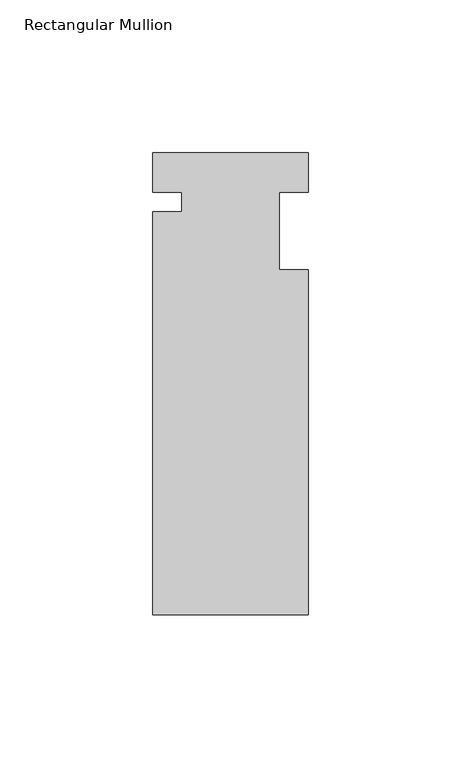
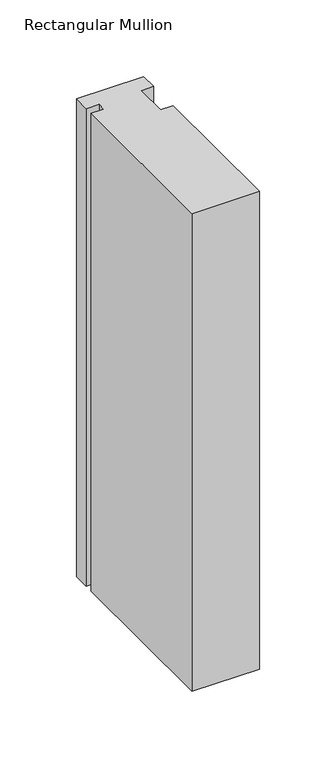
"""IFC4 building model written with IfcOpenShell, lengths in millimetres: member geometry, Rectangular Mullion."""

import ifcopenshell
import ifcopenshell.guid

model = None  # the IFC model being written
_history = None  # IfcOwnerHistory: only IFC2X3 demands one
_inside = {}  # id of a spatial element -> (the spatial element, [elements in it])
_under = {}  # id of a project, library or spatial element -> (it, [spatial elements below it])
_declared = {}  # id of a project -> (the project, [libraries it declares])
_typed = {}  # id of a type object -> (the type object, [elements of that type])
_made_of = {}  # id of a material, layer set ... -> (it, [elements and type objects made of it])


def new_model(schema):
    """Start an empty IFC model of exactly this schema.

    Asked for "IFC4X3", IfcOpenShell would pick the latest addendum, in which some entities
    have other attributes; the version numbers below select the first issue.
    IFC2X3 requires an IfcOwnerHistory on every rooted entity: one is made here for all.
    """
    global model, _history
    if schema == "IFC4X3":
        model = ifcopenshell.file(schema_version=(4, 3, 0, 0))
    else:
        model = ifcopenshell.file(schema=schema)
    _inside.clear()
    _under.clear()
    _declared.clear()
    _typed.clear()
    _made_of.clear()
    _history = None
    if model.schema == "IFC2X3":
        org = make("IfcOrganization", Name="unknown")
        user = make(
            "IfcPersonAndOrganization",
            ThePerson=make("IfcPerson", FamilyName="unknown"),
            TheOrganization=org,
        )
        app = make(
            "IfcApplication",
            ApplicationDeveloper=org,
            Version="unknown",
            ApplicationFullName="unknown",
            ApplicationIdentifier="unknown",
        )
        _history = make(
            "IfcOwnerHistory",
            OwningUser=user,
            OwningApplication=app,
            ChangeAction="ADDED",
            CreationDate=0,
        )
    return model


def make(cls, **values):
    """One entity of the class cls with the attributes given. An attribute that is None is left unset."""
    return model.create_entity(
        cls, **{name: value for name, value in values.items() if value is not None}
    )


def rooted(cls, **values):
    """An entity with a GlobalId (a new one), such as an element, a storey or a relation."""
    return make(cls, GlobalId=ifcopenshell.guid.new(), OwnerHistory=_history, **values)


def si_unit(unit_type, name, prefix=None):
    """IfcSIUnit, for example si_unit("LENGTHUNIT", "METRE", prefix="MILLI")."""
    return make("IfcSIUnit", UnitType=unit_type, Prefix=prefix, Name=name)


def assignment(units):
    """IfcUnitAssignment: the units of a project."""
    return None if units is None else make("IfcUnitAssignment", Units=units)


def point(xyz):
    """IfcCartesianPoint."""
    return None if xyz is None else make("IfcCartesianPoint", Coordinates=xyz)


def direction(xyz):
    """IfcDirection."""
    return None if xyz is None else make("IfcDirection", DirectionRatios=xyz)


def frame(location, z_axis=None, x_axis=None):
    """IfcAxis2Placement3D, a coordinate frame: its origin and axes. An axis left out is left unset."""
    return make(
        "IfcAxis2Placement3D",
        Location=point(location),
        Axis=direction(z_axis),
        RefDirection=direction(x_axis),
    )


def origin():
    """The frame at (0, 0, 0) with its axes left unset."""
    return frame((0.0, 0.0, 0.0))


def place(relative_to, where):
    """IfcLocalPlacement: puts the frame where relative to a parent placement (None: the world)."""
    return make(
        "IfcLocalPlacement", PlacementRelTo=relative_to, RelativePlacement=where
    )


def context(
    kind, dimensions, precision=None, world=None, true_north=None, identifier=None
):
    """IfcGeometricRepresentationContext, for example the 3D "Model" context."""
    return make(
        "IfcGeometricRepresentationContext",
        ContextIdentifier=identifier,
        ContextType=kind,
        CoordinateSpaceDimension=dimensions,
        Precision=precision,
        WorldCoordinateSystem=world,
        TrueNorth=true_north,
    )


def project(units=None, contexts=None):
    """IfcProject with its units and contexts."""
    return rooted(
        "IfcProject",
        Name="project",
        RepresentationContexts=contexts,
        UnitsInContext=assignment(units),
    )


def spatial(cls, under=None, at=None, **own):
    """A site, building, storey or space (cls), placed at a placement, below another one or the project."""
    s = rooted(cls, ObjectPlacement=at, **own)
    if under is not None:
        _under.setdefault(under.id(), (under, []))[1].append(s)
    return s


def polyline(points):
    """IfcPolyline through the points."""
    return make("IfcPolyline", Points=[point(p) for p in points])


def outline(outer, holes=None, kind="AREA"):
    """IfcArbitraryClosedProfileDef: a profile drawn as a closed curve; with holes, ...WithVoids."""
    if holes is None:
        return make("IfcArbitraryClosedProfileDef", ProfileType=kind, OuterCurve=outer)
    return make(
        "IfcArbitraryProfileDefWithVoids",
        ProfileType=kind,
        OuterCurve=outer,
        InnerCurves=holes,
    )


def extrude(swept, where, along, depth):
    """IfcExtrudedAreaSolid: the profile swept, set in the frame where, extruded along a direction by depth."""
    return make(
        "IfcExtrudedAreaSolid",
        SweptArea=swept,
        Position=where,
        ExtrudedDirection=direction(along),
        Depth=depth,
    )


def shape(context_of_items, identifier, shape_type, items):
    """IfcShapeRepresentation: the items that make up one representation, for example the "Body"."""
    return make(
        "IfcShapeRepresentation",
        ContextOfItems=context_of_items,
        RepresentationIdentifier=identifier,
        RepresentationType=shape_type,
        Items=items,
    )


def source(mapping_origin, context_of_items, identifier, shape_type, items):
    """IfcRepresentationMap: a shape defined once, which mapped items show again and again."""
    return make(
        "IfcRepresentationMap",
        MappingOrigin=mapping_origin,
        MappedRepresentation=shape(context_of_items, identifier, shape_type, items),
    )


def transform(
    local_origin,
    x_axis=None,
    y_axis=None,
    z_axis=None,
    scale=None,
    scale2=None,
    scale3=None,
    uniform=True,
):
    """IfcCartesianTransformationOperator3D, or its non-uniform kind. x_axis, y_axis, z_axis: its Axis1, 2, 3."""
    if uniform:
        return make(
            "IfcCartesianTransformationOperator3D",
            Axis1=direction(x_axis),
            Axis2=direction(y_axis),
            LocalOrigin=point(local_origin),
            Scale=scale,
            Axis3=direction(z_axis),
        )
    return make(
        "IfcCartesianTransformationOperator3DnonUniform",
        Axis1=direction(x_axis),
        Axis2=direction(y_axis),
        LocalOrigin=point(local_origin),
        Scale=scale,
        Axis3=direction(z_axis),
        Scale2=scale2,
        Scale3=scale3,
    )


def mapped(mapping_source, mapping_target):
    """IfcMappedItem: shows the shape of a source again, moved by a transform."""
    return make(
        "IfcMappedItem", MappingSource=mapping_source, MappingTarget=mapping_target
    )


def made_of(thing, what):
    """Note that an element or type object is made of a material, layer set ...; save() writes the relation."""
    if what is not None:
        _made_of.setdefault(what.id(), (what, []))[1].append(thing)
    return thing


def element(
    cls,
    number,
    at=None,
    inside=None,
    cuts=None,
    type_object=None,
    material=None,
    context=None,
    identifier="Body",
    shape_type=None,
    held_by="IfcProductDefinitionShape",
    body=None,
    shapes=None,
    **own,
):
    """One element of the class cls, such as IfcWall. Its Tag is "e" and its number.

    at: its placement. inside: the storey or other place that contains it. cuts: it is an
    opening in that element (IfcRelVoidsElement). A single representation is given by context,
    identifier, shape_type and body (its items); several are given by shapes. held_by: the class
    of the entity that holds the representations. save() writes the other relations.
    """
    e = rooted(cls, Tag="e%d" % number, ObjectPlacement=at, **own)
    if body is not None:
        shapes = [shape(context, identifier, shape_type, body)]
    if shapes is not None:
        e.Representation = make(held_by, Representations=shapes)
    if inside is not None:
        _inside.setdefault(inside.id(), (inside, []))[1].append(e)
    if cuts is not None:
        rooted(
            "IfcRelVoidsElement", RelatingBuildingElement=cuts, RelatedOpeningElement=e
        )
    if type_object is not None:
        _typed.setdefault(type_object.id(), (type_object, []))[1].append(e)
    return made_of(e, material)


def aggregate(whole, parts):
    """IfcRelAggregates: a whole, such as a stair, and the parts it consists of."""
    return rooted("IfcRelAggregates", RelatingObject=whole, RelatedObjects=parts)


def save(model, path):
    """Write the relations noted so far, then the file.

    IfcRelAggregates (storeys below a building ...), IfcRelContainedInSpatialStructure (elements
    in a storey), IfcRelDefinesByType, IfcRelAssociatesMaterial and IfcRelDeclares: one each for
    every whole, place, type object, material and project.
    """
    for whole, parts in _under.values():
        aggregate(whole, parts)
    for where, things in _inside.values():
        rooted(
            "IfcRelContainedInSpatialStructure",
            RelatedElements=things,
            RelatingStructure=where,
        )
    for kind, things in _typed.values():
        rooted("IfcRelDefinesByType", RelatedObjects=things, RelatingType=kind)
    for what, things in _made_of.values():
        rooted("IfcRelAssociatesMaterial", RelatedObjects=things, RelatingMaterial=what)
    for by, libraries in _declared.values():
        rooted("IfcRelDeclares", RelatingContext=by, RelatedDefinitions=libraries)
    model.write(path)


def rectangular_mullion_912362c0(model_context):
    return source(origin(), model_context, "Body", "SweptSolid", [
        extrude(outline(polyline([(-25.4, 12.88415), (25.4, 12.88415), (25.4, 0.0), (15.875, 0.0), (15.875, -25.4), (25.4, -25.4), (25.4, -138.29665), (-25.4, -138.29665), (-25.4, -6.35), (-15.875, -6.35), (-15.875, 0.0), (-25.4, 0.0), (-25.4, 12.88415)])), frame((0.0, 0.0, -381.0), z_axis=(0.0, 0.0, 1.0), x_axis=(1.0, 0.0, 0.0)), (0.0, 0.0, 1.0), 381.0),
    ])


if __name__ == "__main__":
    model = new_model("IFC4")
    model_context = context("Model", 3, world=origin())
    ifc_project = project(units=[si_unit("LENGTHUNIT", "METRE", prefix="MILLI")], contexts=[model_context])
    site = spatial("IfcSite", under=ifc_project)
    building = spatial("IfcBuilding", under=site)
    placement = place(None, origin())
    rectangular_mullion_shape = rectangular_mullion_912362c0(model_context)
    element("IfcMember", 1, ObjectType="Rectangular Mullion", at=placement, inside=building, context=model_context, shape_type="MappedRepresentation", body=[
        mapped(rectangular_mullion_shape, transform((0.0, 0.0, 0.0), x_axis=(1.0, 0.0, 0.0), y_axis=(0.0, 1.0, 0.0), z_axis=(0.0, 0.0, 1.0))),
    ])
    save(model, "model.ifc")
